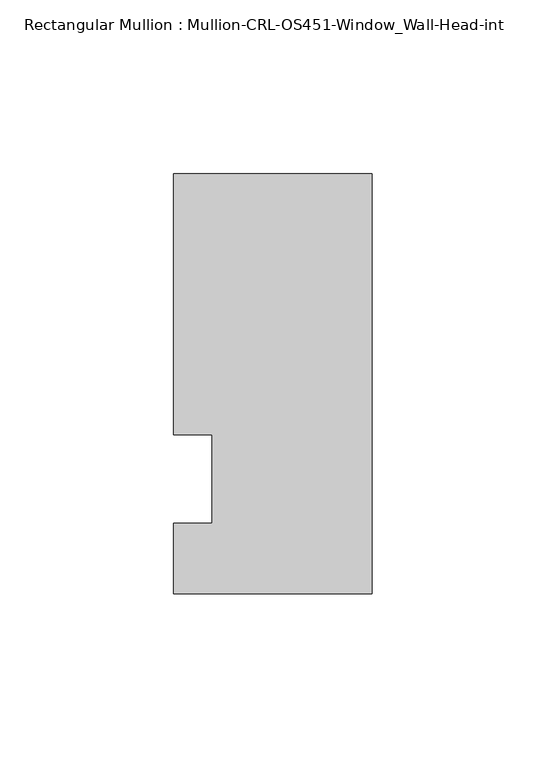
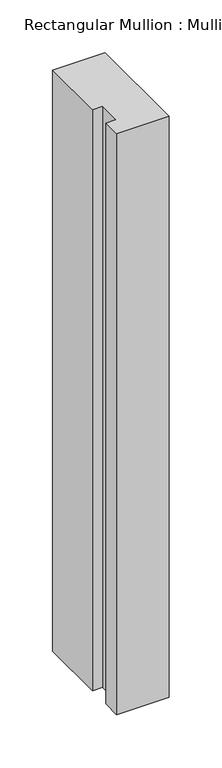
"""IFC4 building model written with IfcOpenShell, lengths in millimetres: member geometry, Rectangular Mullion : Mullion-CRL-OS451-Window_Wall-Head-int."""

from ifc_helpers import new_model, si_unit, frame, origin, place, context, project, spatial, polyline, outline, extrude, source, transform, mapped, element, save


def rectangular_mullion_mullion_crl_os451_window_wall_head_int_7a17a701(model_context):
    return source(origin(), model_context, "Body", "SweptSolid", [
        extrude(outline(polyline([(-57.1500484, -12.6024125), (-46.0286759, -12.6024125), (-46.0286759, 12.7975875), (-57.1500484, 12.7975875), (-57.1500484, 87.9036146), (0.0, 87.9036146), (0.0, -32.8987854), (-57.1500484, -32.8987854), (-57.1500484, -12.6024125)])), frame((0.0, 0.0, -670.5346829), z_axis=(0.0, 0.0, 1.0), x_axis=(1.0, 0.0, 0.0)), (0.0, 0.0, 1.0), 670.5346829),
    ])


if __name__ == "__main__":
    model = new_model("IFC4")
    model_context = context("Model", 3, world=origin())
    ifc_project = project(units=[si_unit("LENGTHUNIT", "METRE", prefix="MILLI")], contexts=[model_context])
    site = spatial("IfcSite", under=ifc_project)
    building = spatial("IfcBuilding", under=site)
    placement = place(None, origin())
    rectangular_mullion_mullion_crl_os451_window_wall_head_int_shape = rectangular_mullion_mullion_crl_os451_window_wall_head_int_7a17a701(model_context)
    element("IfcMember", 1, ObjectType="Rectangular Mullion : Mullion-CRL-OS451-Window_Wall-Head-int", at=placement, inside=building, context=model_context, shape_type="MappedRepresentation", body=[
        mapped(rectangular_mullion_mullion_crl_os451_window_wall_head_int_shape, transform((0.0, 0.0, 0.0), x_axis=(1.0, 0.0, 0.0), y_axis=(0.0, 1.0, 0.0), z_axis=(0.0, 0.0, 1.0))),
    ])
    save(model, "model.ifc")
